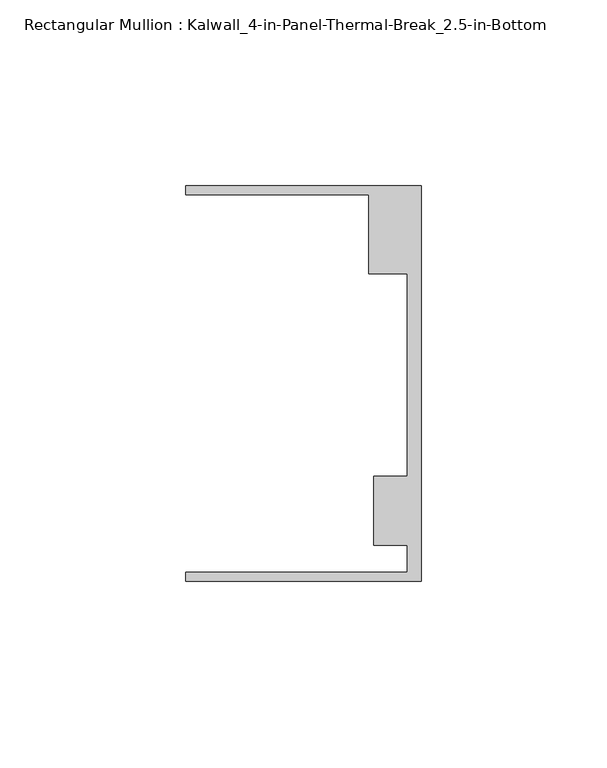
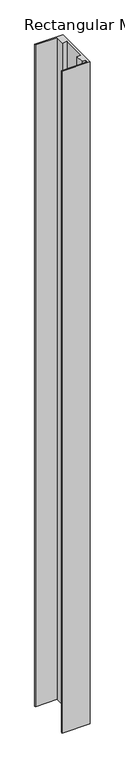
"""IFC4 building model written with IfcOpenShell, lengths in millimetres: member geometry, Rectangular Mullion : Kalwall_4-in-Panel-Thermal-Break_2.5-in-Bottom."""

from ifc_helpers import new_model, si_unit, frame, origin, place, context, project, spatial, polyline, outline, extrude, source, transform, mapped, element, save


def rectangular_mullion_kalwall_4_in_panel_thermal_break_2_5_in_64b8d51b(model_context):
    return source(origin(), model_context, "Body", "SweptSolid", [
        extrude(outline(polyline([(0.0, -53.3026386), (-63.5, -53.3026386), (-63.5, -50.7626386), (-3.7084, -50.7626386), (-3.7084, -43.6138568), (-12.8272539, -43.6138568), (-12.8272539, -24.9129886), (-3.7084, -24.9129886), (-3.7084, 29.5648614), (-14.1732, 29.5648614), (-14.1732, 50.8373614), (-63.5, 50.8373614), (-63.5, 53.3773614), (0.0, 53.3773614), (0.0, -53.3026386)])), frame((0.0, 0.0, -1581.4), z_axis=(0.0, 0.0, 1.0), x_axis=(1.0, 0.0, 0.0)), (0.0, 0.0, 1.0), 1581.4),
    ])


if __name__ == "__main__":
    model = new_model("IFC4")
    model_context = context("Model", 3, world=origin())
    ifc_project = project(units=[si_unit("LENGTHUNIT", "METRE", prefix="MILLI")], contexts=[model_context])
    site = spatial("IfcSite", under=ifc_project)
    building = spatial("IfcBuilding", under=site)
    placement = place(None, origin())
    rectangular_mullion_kalwall_4_in_panel_thermal_break_2_5_in_shape = rectangular_mullion_kalwall_4_in_panel_thermal_break_2_5_in_64b8d51b(model_context)
    element("IfcMember", 1, ObjectType="Rectangular Mullion : Kalwall_4-in-Panel-Thermal-Break_2.5-in-Bottom", at=placement, inside=building, context=model_context, shape_type="MappedRepresentation", body=[
        mapped(rectangular_mullion_kalwall_4_in_panel_thermal_break_2_5_in_shape, transform((0.0, 0.0, 0.0), x_axis=(1.0, 0.0, 0.0), y_axis=(0.0, 1.0, 0.0), z_axis=(0.0, 0.0, 1.0))),
    ])
    save(model, "model.ifc")
